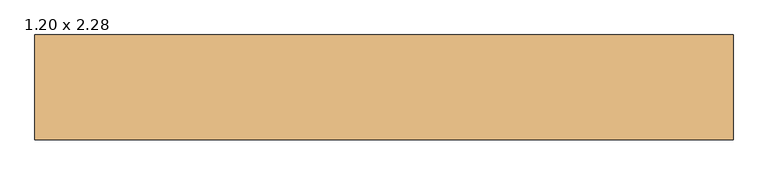
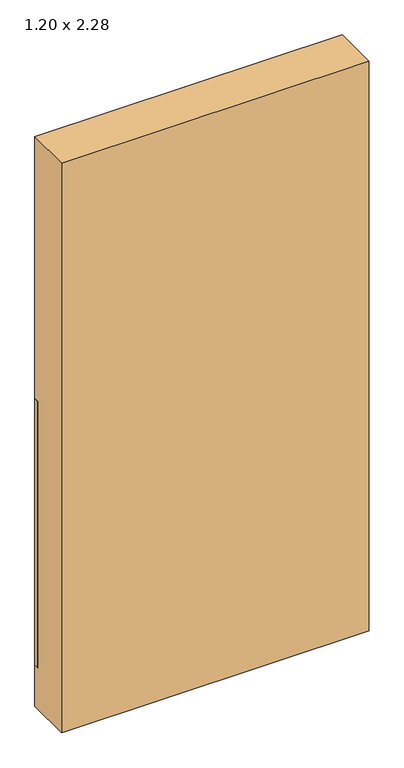
"""IFC4 building model written with IfcOpenShell, lengths in millimetres: door geometry, 1.20 x 2.28."""

from ifc_helpers import new_model, si_unit, frame, origin, place, context, project, spatial, polyline, outline, extrude, source, transform, mapped, element, save


def door_1_20_x_2_28_1794ec5f(model_context):
    return source(origin(), model_context, "Body", "SweptSolid", [
        extrude(outline(polyline([(600.0, 104.4346141), (600.0, 84.4346141), (-600.0, 84.4346141), (-600.0, 104.4346141), (600.0, 104.4346141)])), frame((0.0, 0.0, 100.0), z_axis=(0.0, 0.0, 1.0), x_axis=(1.0, 0.0, 0.0)), (0.0, 0.0, 1.0), 1100.0),
        extrude(outline(polyline([(600.0, 104.4346141), (600.0, -75.5653859), (-600.0, -75.5653859), (-600.0, 104.4346141), (600.0, 104.4346141)])), frame((0.0, 0.0, -70.0), z_axis=(0.0, 0.0, 1.0), x_axis=(1.0, 0.0, 0.0)), (0.0, 0.0, 1.0), 2350.0),
    ])


if __name__ == "__main__":
    model = new_model("IFC4")
    model_context = context("Model", 3, world=origin())
    ifc_project = project(units=[si_unit("LENGTHUNIT", "METRE", prefix="MILLI")], contexts=[model_context])
    site = spatial("IfcSite", under=ifc_project)
    building = spatial("IfcBuilding", under=site)
    placement = place(None, origin())
    door_1_20_x_2_28_shape = door_1_20_x_2_28_1794ec5f(model_context)
    element("IfcDoor", 1, ObjectType="1.20 x 2.28", at=placement, inside=building, context=model_context, shape_type="MappedRepresentation", body=[
        mapped(door_1_20_x_2_28_shape, transform((0.0, 0.0, 0.0), x_axis=(1.0, 0.0, 0.0), y_axis=(0.0, 1.0, 0.0), z_axis=(0.0, 0.0, 1.0))),
    ])
    save(model, "model.ifc")
